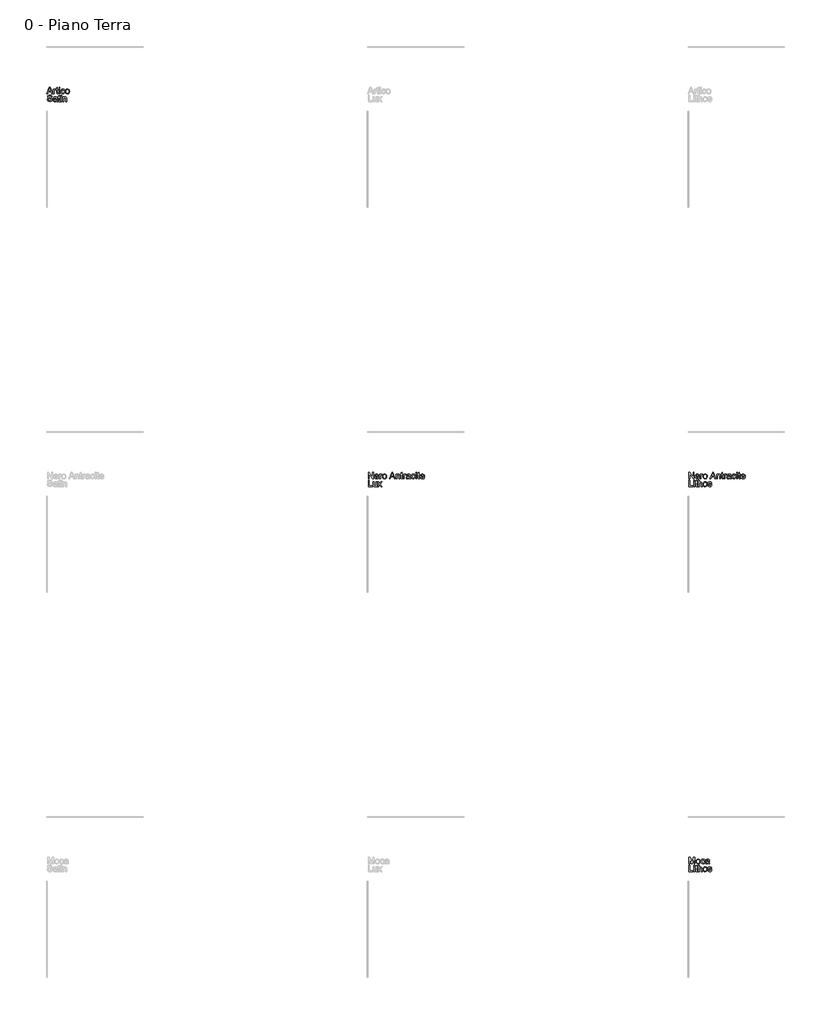
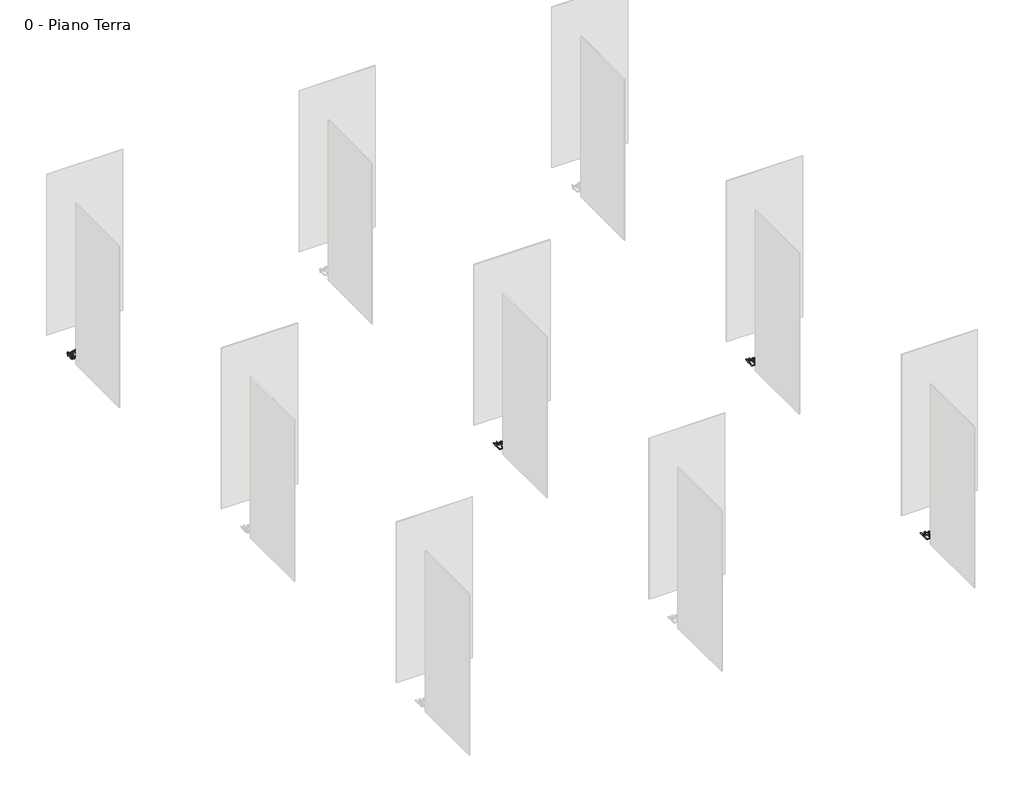
# One storey, part 26 of 35: 4 proxies.
"""IFC4 building model written with IfcOpenShell, lengths in millimetres."""

from ifc_helpers import new_model, si_unit, origin, origin_with_axes, place, context, project, spatial, polyline, outline, extrude, element, save

model = new_model("IFC4")

# Units and contexts
model_context = context("Model", 3, world=origin())
ifc_project = project(units=[si_unit("LENGTHUNIT", "METRE", prefix="MILLI")], contexts=[model_context])

# Site, building, storey
site = spatial("IfcSite", under=ifc_project)
building = spatial("IfcBuilding", under=site)
storey = spatial("IfcBuildingStorey", under=building, Name="0 - Piano Terra", Elevation=0.0)

# Proxies
placement = place(None, origin())
element("IfcBuildingElementProxy", 1, Name="Testo modello 1", ObjectType="Testo modello 1", at=placement, inside=storey, context=model_context, shape_type="SweptSolid", body=[
    extrude(outline(polyline([(2720.0306016, -18273.7592352), (2760.1297391, -18173.302925), (2770.8228424, -18173.302925), (2810.9219799, -18273.7592352), (2797.6537026, -18273.7592352), (2786.1512589, -18242.3666382), (2744.7767972, -18242.3666382), (2733.2988789, -18273.7592352), (2720.0306016, -18273.7592352)]), holes=[polyline([(2749.3875848, -18229.8095995), (2781.5649967, -18229.8095995), (2772.5150996, -18205.1124549), (2765.4762908, -18185.8599638), (2759.2222968, -18202.9542138), (2749.3875848, -18229.8095995)])]), origin_with_axes(), (0.0, 0.0, 1.0), 10.0),
    extrude(outline(polyline([(2822.7677801, -18273.7592352), (2822.7677801, -18199.9866324), (2833.7551891, -18199.9866324), (2833.7551891, -18210.9004649), (2841.5542874, -18200.8450237), (2849.4024366, -18198.4170025), (2862.0085263, -18202.2920262), (2857.8146716, -18213.5492153), (2848.9855037, -18210.9740413), (2841.8853812, -18213.4511134), (2837.3604326, -18220.318244), (2835.3248189, -18234.9844729), (2835.3248189, -18273.7592352), (2822.7677801, -18273.7592352)])), origin_with_axes(), (0.0, 0.0, 1.0), 10.0),
    extrude(outline(polyline([(2896.5403829, -18263.286861), (2898.1100128, -18274.1271171), (2888.7167592, -18275.328865), (2878.1953341, -18273.2442004), (2872.9468843, -18267.7750214), (2871.4263054, -18253.5257254), (2871.4263054, -18212.5436712), (2862.0085263, -18212.5436712), (2862.0085263, -18199.9866324), (2871.4263054, -18199.9866324), (2871.4263054, -18182.0585165), (2883.9833441, -18174.6763511), (2883.9833441, -18199.9866324), (2896.5403829, -18199.9866324), (2896.5403829, -18212.5436712), (2883.9833441, -18212.5436712), (2883.9833441, -18253.1578434), (2884.6455317, -18259.6325665), (2886.79151, -18261.9256976), (2891.0712039, -18262.7718262), (2896.5403829, -18263.286861)])), origin_with_axes(), (0.0, 0.0, 1.0), 10.0),
    extrude(outline(polyline([(2909.0974217, -18185.8599638), (2909.0974217, -18173.302925), (2921.6544605, -18173.302925), (2921.6544605, -18185.8599638), (2909.0974217, -18185.8599638)])), origin_with_axes(), (0.0, 0.0, 1.0), 10.0),
    extrude(outline(polyline([(2909.0974217, -18273.7592352), (2909.0974217, -18199.9866324), (2921.6544605, -18199.9866324), (2921.6544605, -18273.7592352), (2909.0974217, -18273.7592352)])), origin_with_axes(), (0.0, 0.0, 1.0), 10.0),
    extrude(outline(polyline([(2987.578914, -18247.0755278), (3000.1359528, -18248.6451576), (2996.6349424, -18259.8134419), (2990.0559861, -18268.253268), (2981.0183517, -18273.5599657), (2970.1413074, -18275.328865), (2956.7841253, -18272.8609899), (2946.3393423, -18265.4573648), (2939.5979048, -18253.442952), (2937.3507589, -18237.1427139), (2941.1889944, -18216.2838048), (2952.8876418, -18202.8806374), (2969.9696292, -18198.4170025), (2980.579959, -18199.9498442), (2989.0627047, -18204.5483691), (2995.148086, -18211.9673227), (2998.5663229, -18221.9614502), (2986.0092841, -18223.5310801), (2980.1844859, -18214.1255637), (2970.067731, -18210.9740413), (2961.9528673, -18212.5252771), (2955.5118667, -18217.1789843), (2951.3088149, -18225.1865491), (2949.9077977, -18236.7993574), (2951.2781581, -18248.5685155), (2955.3892394, -18256.6036714), (2961.713744, -18261.2297875), (2969.7243745, -18262.7718262), (2981.557912, -18258.921328), (2987.578914, -18247.0755278)])), origin_with_axes(), (0.0, 0.0, 1.0), 10.0),
    extrude(outline(polyline([(3007.984102, -18236.8729338), (3010.7002974, -18219.0858393), (3018.8488836, -18206.5839828), (3028.9165875, -18200.4587476), (3040.9708542, -18198.4170025), (3054.1624894, -18200.9032717), (3064.6992429, -18208.3620791), (3071.6062274, -18220.2048137), (3073.9085555, -18235.8428642), (3069.8373281, -18258.185564), (3057.9792651, -18270.8284419), (3040.9708542, -18275.328865), (3027.6198035, -18272.8517929), (3017.0953127, -18265.4205766), (3010.2619047, -18253.3295217), (3007.984102, -18236.8729338)]), holes=[polyline([(3020.5411408, -18236.8484083), (3021.9942746, -18248.2128963), (3026.3536763, -18256.3093658), (3032.9142385, -18261.1562111), (3040.9708542, -18262.7718262), (3048.9906817, -18261.1470141), (3055.5389812, -18256.2725776), (3059.8983829, -18248.0688092), (3061.3515168, -18236.4560008), (3059.8891858, -18225.4226067), (3055.502193, -18217.4365017), (3048.9446965, -18212.5896564), (3040.9708542, -18210.9740413), (3032.9142385, -18212.583525), (3026.3536763, -18217.4119762), (3021.9942746, -18225.4900517), (3020.5411408, -18236.8484083)])]), origin_with_axes(), (0.0, 0.0, 1.0), 10.0),
    extrude(outline(polyline([(2727.0203595, -18361.2021964), (2739.5773983, -18361.2021964), (2743.6241003, -18373.7714979), (2753.5078632, -18381.717749), (2768.5664995, -18384.7466441), (2781.687624, -18382.453513), (2790.1611726, -18376.1504681), (2792.9448131, -18367.7259704), (2790.8601484, -18359.8900839), (2782.3252861, -18354.187913), (2764.041551, -18349.3931843), (2744.3598642, -18343.2005041), (2733.6790237, -18333.8563014), (2730.1596192, -18321.372839), (2734.5128895, -18307.1603313), (2747.2293438, -18297.1294156), (2765.8441728, -18293.708113), (2785.7098005, -18297.2888311), (2798.9535523, -18307.8102561), (2803.932222, -18323.5310801), (2791.3751832, -18323.5310801), (2789.0697894, -18316.0385501), (2784.262798, -18310.6306848), (2766.3346821, -18306.2651518), (2748.3575153, -18310.5816338), (2742.716658, -18321.004957), (2746.714309, -18329.7114976), (2767.2175989, -18336.725781), (2789.4376714, -18343.0288258), (2801.59004, -18353.2068944), (2805.5018518, -18367.4071394), (2801.0014288, -18382.4289875), (2788.0519825, -18393.391871), (2769.0570089, -18397.3036828), (2746.6284699, -18393.0853026), (2732.4404876, -18380.3811111), (2727.0203595, -18361.2021964)])), origin_with_axes(), (0.0, 0.0, 1.0), 10.0),
    extrude(outline(polyline([(2869.8566755, -18386.3162739), (2857.6797815, -18394.8266107), (2844.2275632, -18397.3036828), (2833.7337293, -18395.8137608), (2825.992879, -18391.3439945), (2821.2196101, -18384.5565717), (2819.6285205, -18376.1136799), (2822.0320162, -18366.1808661), (2828.3473237, -18358.9703789), (2837.1397034, -18354.8501006), (2848.004485, -18352.9616397), (2869.7830991, -18348.6451576), (2869.8566755, -18345.8492545), (2866.3985848, -18336.5786282), (2852.5171708, -18332.9488592), (2839.8129793, -18335.3646176), (2833.7551891, -18343.9362681), (2821.1981503, -18342.3666382), (2826.6305411, -18330.1039051), (2837.5688991, -18322.9179434), (2854.1358516, -18320.3918204), (2869.3539035, -18322.6236378), (2877.9500794, -18328.2277069), (2881.8005776, -18336.7503064), (2882.4137143, -18347.7377154), (2882.4137143, -18363.3604374), (2883.0513764, -18385.1758397), (2885.552974, -18395.734053), (2872.9959352, -18395.734053), (2869.8566755, -18386.3162739)]), holes=[polyline([(2869.8566755, -18361.2021964), (2849.5986403, -18365.0526946), (2838.7951724, -18367.0883083), (2833.9023419, -18370.3992463), (2832.1855592, -18375.2307631), (2835.9256928, -18382.0243173), (2846.900839, -18384.7466441), (2859.6050306, -18381.7422744), (2867.7965364, -18374.4704737), (2869.7830991, -18364.758389), (2869.8566755, -18361.2021964)])]), origin_with_axes(), (0.0, 0.0, 1.0), 10.0),
    extrude(outline(polyline([(2926.36335, -18385.2616789), (2927.9329798, -18396.101935), (2918.5397262, -18397.3036828), (2908.0183012, -18395.2190182), (2902.7698514, -18389.7498392), (2901.2492725, -18375.5005433), (2901.2492725, -18334.518489), (2891.8314934, -18334.518489), (2891.8314934, -18321.9614502), (2901.2492725, -18321.9614502), (2901.2492725, -18304.0333343), (2913.8063112, -18296.651169), (2913.8063112, -18321.9614502), (2926.36335, -18321.9614502), (2926.36335, -18334.518489), (2913.8063112, -18334.518489), (2913.8063112, -18375.1326613), (2914.4684988, -18381.6073844), (2916.6144771, -18383.9005155), (2920.894171, -18384.7466441), (2926.36335, -18385.2616789)])), origin_with_axes(), (0.0, 0.0, 1.0), 10.0),
    extrude(outline(polyline([(2938.9203888, -18307.8347816), (2938.9203888, -18295.2777428), (2951.4774275, -18295.2777428), (2951.4774275, -18307.8347816), (2938.9203888, -18307.8347816)])), origin_with_axes(), (0.0, 0.0, 1.0), 10.0),
    extrude(outline(polyline([(2938.9203888, -18395.734053), (2938.9203888, -18321.9614502), (2951.4774275, -18321.9614502), (2951.4774275, -18395.734053), (2938.9203888, -18395.734053)])), origin_with_axes(), (0.0, 0.0, 1.0), 10.0),
    extrude(outline(polyline([(2970.3129857, -18395.734053), (2970.3129857, -18321.9614502), (2982.8700244, -18321.9614502), (2982.8700244, -18332.2621461), (2992.4717445, -18323.3594018), (3005.5806063, -18320.3918204), (3017.4386693, -18322.7830534), (3025.5320732, -18329.0615727), (3029.2967322, -18338.2954108), (3029.9589198, -18350.4355167), (3029.9589198, -18395.734053), (3017.4018811, -18395.734053), (3017.4018811, -18352.1277738), (3015.9548785, -18341.0177376), (3010.8413188, -18335.1438884), (3002.2206174, -18332.9488592), (2988.5967208, -18337.8784779), (2984.3016985, -18345.02152), (2982.8700244, -18356.5914087), (2982.8700244, -18395.734053), (2970.3129857, -18395.734053)])), origin_with_axes(), (0.0, 0.0, 1.0), 10.0),
])
element("IfcBuildingElementProxy", 2, Name="Testo modello 1", ObjectType="Testo modello 1", at=placement, inside=storey, context=model_context, shape_type="SweptSolid", body=[
    extrude(outline(polyline([(7731.7292491, -24273.7592352), (7731.7292491, -24173.302925), (7745.1692046, -24173.302925), (7797.6537026, -24252.8880633), (7797.6537026, -24173.302925), (7810.2107414, -24173.302925), (7810.2107414, -24273.7592352), (7796.7707858, -24273.7592352), (7744.2862878, -24194.1495714), (7744.2862878, -24273.7592352), (7731.7292491, -24273.7592352)])), origin_with_axes(), (0.0, 0.0, 1.0), 10.0),
    extrude(outline(polyline([(7882.2665615, -24251.7844173), (7894.5783456, -24253.3540472), (7890.1423019, -24262.6308048), (7883.0636392, -24269.5653804), (7873.501773, -24273.8879938), (7861.6161188, -24275.328865), (7846.8824449, -24272.8425958), (7835.5455481, -24265.3837884), (7828.3166669, -24253.4368206), (7825.9070398, -24237.4860704), (7828.3411924, -24220.9988257), (7835.64365, -24208.6686475), (7846.8272626, -24200.9799138), (7860.9048803, -24198.4170025), (7874.5441053, -24200.9737824), (7885.4426094, -24208.644122), (7892.5887171, -24220.9497747), (7894.9707531, -24237.412494), (7894.8971767, -24240.7970084), (7838.4640786, -24240.7970084), (7840.6376481, -24250.1963934), (7845.6868284, -24257.1064435), (7852.9739576, -24261.3554805), (7861.8613735, -24262.7718262), (7874.1731576, -24260.1476013), (7882.2665615, -24251.7844173)]), holes=[polyline([(7838.4640786, -24228.2399696), (7882.4137143, -24228.2399696), (7877.3859937, -24216.8601532), (7870.065142, -24212.4455693), (7860.8558294, -24210.9740413), (7845.3925229, -24215.6706681), (7840.5272835, -24221.1613069), (7838.4640786, -24228.2399696)])]), origin_with_axes(), (0.0, 0.0, 1.0), 10.0),
    extrude(outline(polyline([(7907.5277918, -24273.7592352), (7907.5277918, -24199.9866324), (7918.5152008, -24199.9866324), (7918.5152008, -24210.9004649), (7926.3142991, -24200.8450237), (7934.1624483, -24198.4170025), (7946.768538, -24202.2920262), (7942.5746832, -24213.5492153), (7933.7455154, -24210.9740413), (7926.6453929, -24213.4511134), (7922.1204443, -24220.318244), (7920.0848306, -24234.9844729), (7920.0848306, -24273.7592352), (7907.5277918, -24273.7592352)])), origin_with_axes(), (0.0, 0.0, 1.0), 10.0),
    extrude(outline(polyline([(7951.4774275, -24236.8729338), (7954.1936229, -24219.0858393), (7962.3422091, -24206.5839828), (7972.4099131, -24200.4587476), (7984.4641798, -24198.4170025), (7997.655815, -24200.9032717), (8008.1925685, -24208.3620791), (8015.0995529, -24220.2048137), (8017.4018811, -24235.8428642), (8013.3306537, -24258.185564), (8001.4725907, -24270.8284419), (7984.4641798, -24275.328865), (7971.113129, -24272.8517929), (7960.5886383, -24265.4205766), (7953.7552302, -24253.3295217), (7951.4774275, -24236.8729338)]), holes=[polyline([(7964.0344663, -24236.8484083), (7965.4876002, -24248.2128963), (7969.8470018, -24256.3093658), (7976.4075641, -24261.1562111), (7984.4641798, -24262.7718262), (7992.4840073, -24261.1470141), (7999.0323068, -24256.2725776), (8003.3917084, -24248.0688092), (8004.8448423, -24236.4560008), (8003.3825114, -24225.4226067), (7998.9955186, -24217.4365017), (7992.438022, -24212.5896564), (7984.4641798, -24210.9740413), (7976.4075641, -24212.583525), (7969.8470018, -24217.4119762), (7965.4876002, -24225.4900517), (7964.0344663, -24236.8484083)])]), origin_with_axes(), (0.0, 0.0, 1.0), 10.0),
    extrude(outline(polyline([(8060.6402782, -24273.7592352), (8100.7394157, -24173.302925), (8111.432519, -24173.302925), (8151.5316565, -24273.7592352), (8138.2633792, -24273.7592352), (8126.7609355, -24242.3666382), (8085.3864738, -24242.3666382), (8073.9085555, -24273.7592352), (8060.6402782, -24273.7592352)]), holes=[polyline([(8089.9972614, -24229.8095995), (8122.1746733, -24229.8095995), (8113.1247762, -24205.1124549), (8106.0859674, -24185.8599638), (8099.8319734, -24202.9542138), (8089.9972614, -24229.8095995)])]), origin_with_axes(), (0.0, 0.0, 1.0), 10.0),
    extrude(outline(polyline([(8163.3774567, -24273.7592352), (8163.3774567, -24199.9866324), (8175.9344955, -24199.9866324), (8175.9344955, -24210.2873283), (8185.5362156, -24201.384584), (8198.6450774, -24198.4170025), (8210.5031403, -24200.8082355), (8218.5965442, -24207.0867549), (8222.3612033, -24216.320593), (8223.0233909, -24228.4606988), (8223.0233909, -24273.7592352), (8210.4663521, -24273.7592352), (8210.4663521, -24230.152956), (8209.0193496, -24219.0429197), (8203.9057899, -24213.1690705), (8195.2850885, -24210.9740413), (8181.6611919, -24215.90366), (8177.3661696, -24223.0467021), (8175.9344955, -24234.6165909), (8175.9344955, -24273.7592352), (8163.3774567, -24273.7592352)])), origin_with_axes(), (0.0, 0.0, 1.0), 10.0),
    extrude(outline(polyline([(8266.9730266, -24263.286861), (8268.5426564, -24274.1271171), (8259.1494028, -24275.328865), (8248.6279778, -24273.2442004), (8243.379528, -24267.7750214), (8241.8589491, -24253.5257254), (8241.8589491, -24212.5436712), (8232.44117, -24212.5436712), (8232.44117, -24199.9866324), (8241.8589491, -24199.9866324), (8241.8589491, -24182.0585165), (8254.4159878, -24174.6763511), (8254.4159878, -24199.9866324), (8266.9730266, -24199.9866324), (8266.9730266, -24212.5436712), (8254.4159878, -24212.5436712), (8254.4159878, -24253.1578434), (8255.0781754, -24259.6325665), (8257.2241537, -24261.9256976), (8261.5038476, -24262.7718262), (8266.9730266, -24263.286861)])), origin_with_axes(), (0.0, 0.0, 1.0), 10.0),
    extrude(outline(polyline([(8279.5300654, -24273.7592352), (8279.5300654, -24199.9866324), (8290.5174743, -24199.9866324), (8290.5174743, -24210.9004649), (8298.3165726, -24200.8450237), (8306.1647218, -24198.4170025), (8318.7708115, -24202.2920262), (8314.5769568, -24213.5492153), (8305.7477889, -24210.9740413), (8298.6476664, -24213.4511134), (8294.1227178, -24220.318244), (8292.0871041, -24234.9844729), (8292.0871041, -24273.7592352), (8279.5300654, -24273.7592352)])), origin_with_axes(), (0.0, 0.0, 1.0), 10.0),
    extrude(outline(polyline([(8373.7078561, -24264.3414561), (8361.5309621, -24272.8517929), (8348.0787438, -24275.328865), (8337.5849099, -24273.8389429), (8329.8440596, -24269.3691767), (8325.0707907, -24262.5817539), (8323.4797011, -24254.1388621), (8325.8831968, -24244.2060482), (8332.1985043, -24236.9955611), (8340.990884, -24232.8752828), (8351.8556656, -24230.9868218), (8373.6342797, -24226.6703398), (8373.7078561, -24223.8744366), (8370.2497654, -24214.6038103), (8356.3683514, -24210.9740413), (8343.6641599, -24213.3897997), (8337.6063697, -24221.9614502), (8325.0493309, -24220.3918204), (8330.4817217, -24208.1290872), (8341.4200797, -24200.9431256), (8357.9870322, -24198.4170025), (8373.2050841, -24200.64882), (8381.80126, -24206.252889), (8385.6517582, -24214.7754886), (8386.2648949, -24225.7628975), (8386.2648949, -24241.3856196), (8386.902557, -24263.2010219), (8389.4041546, -24273.7592352), (8376.8471158, -24273.7592352), (8373.7078561, -24264.3414561)]), holes=[polyline([(8373.7078561, -24239.2273785), (8353.4498209, -24243.0778768), (8342.646353, -24245.1134905), (8337.7535225, -24248.4244284), (8336.0367398, -24253.2559453), (8339.7768734, -24260.0494995), (8350.7520196, -24262.7718262), (8363.4562112, -24259.7674566), (8371.647717, -24252.4956558), (8373.6342797, -24242.7835712), (8373.7078561, -24239.2273785)])]), origin_with_axes(), (0.0, 0.0, 1.0), 10.0),
    extrude(outline(polyline([(8450.6197186, -24247.0755278), (8463.1767574, -24248.6451576), (8459.675747, -24259.8134419), (8453.0967907, -24268.253268), (8444.0591563, -24273.5599657), (8433.182112, -24275.328865), (8419.8249299, -24272.8609899), (8409.3801469, -24265.4573648), (8402.6387094, -24253.442952), (8400.3915635, -24237.1427139), (8404.229799, -24216.2838048), (8415.9284464, -24202.8806374), (8433.0104337, -24198.4170025), (8443.6207636, -24199.9498442), (8452.1035093, -24204.5483691), (8458.1888906, -24211.9673227), (8461.6071275, -24221.9614502), (8449.0500887, -24223.5310801), (8443.2252905, -24214.1255637), (8433.1085356, -24210.9740413), (8424.9936719, -24212.5252771), (8418.5526713, -24217.1789843), (8414.3496195, -24225.1865491), (8412.9486023, -24236.7993574), (8414.3189627, -24248.5685155), (8418.430044, -24256.6036714), (8424.7545486, -24261.2297875), (8432.7651791, -24262.7718262), (8444.5987166, -24258.921328), (8450.6197186, -24247.0755278)])), origin_with_axes(), (0.0, 0.0, 1.0), 10.0),
    extrude(outline(polyline([(8474.1641663, -24273.7592352), (8474.1641663, -24199.9866324), (8486.721205, -24199.9866324), (8486.721205, -24273.7592352), (8474.1641663, -24273.7592352)])), origin_with_axes(), (0.0, 0.0, 1.0), 10.0),
    extrude(outline(polyline([(8474.1641663, -24185.8599638), (8474.1641663, -24173.302925), (8486.721205, -24173.302925), (8486.721205, -24185.8599638), (8474.1641663, -24185.8599638)])), origin_with_axes(), (0.0, 0.0, 1.0), 10.0),
    extrude(outline(polyline([(8532.2404706, -24263.286861), (8533.8101004, -24274.1271171), (8524.4168468, -24275.328865), (8513.8954218, -24273.2442004), (8508.646972, -24267.7750214), (8507.126393, -24253.5257254), (8507.126393, -24212.5436712), (8497.708614, -24212.5436712), (8497.708614, -24199.9866324), (8507.126393, -24199.9866324), (8507.126393, -24182.0585165), (8519.6834318, -24174.6763511), (8519.6834318, -24199.9866324), (8532.2404706, -24199.9866324), (8532.2404706, -24212.5436712), (8519.6834318, -24212.5436712), (8519.6834318, -24253.1578434), (8520.3456194, -24259.6325665), (8522.4915977, -24261.9256976), (8526.7712916, -24262.7718262), (8532.2404706, -24263.286861)])), origin_with_axes(), (0.0, 0.0, 1.0), 10.0),
    extrude(outline(polyline([(8596.4481415, -24251.7844173), (8608.7599256, -24253.3540472), (8604.3238819, -24262.6308048), (8597.2452191, -24269.5653804), (8587.6833529, -24273.8879938), (8575.7976988, -24275.328865), (8561.0640249, -24272.8425958), (8549.7271281, -24265.3837884), (8542.4982469, -24253.4368206), (8540.0886198, -24237.4860704), (8542.5227723, -24220.9988257), (8549.8252299, -24208.6686475), (8561.0088426, -24200.9799138), (8575.0864603, -24198.4170025), (8588.7256853, -24200.9737824), (8599.6241894, -24208.644122), (8606.7702971, -24220.9497747), (8609.152333, -24237.412494), (8609.0787566, -24240.7970084), (8552.6456586, -24240.7970084), (8554.819228, -24250.1963934), (8559.8684084, -24257.1064435), (8567.1555376, -24261.3554805), (8576.0429535, -24262.7718262), (8588.3547376, -24260.1476013), (8596.4481415, -24251.7844173)]), holes=[polyline([(8552.6456586, -24228.2399696), (8596.5952943, -24228.2399696), (8591.5675737, -24216.8601532), (8584.246722, -24212.4455693), (8575.0374094, -24210.9740413), (8559.5741028, -24215.6706681), (8554.7088634, -24221.1613069), (8552.6456586, -24228.2399696)])]), origin_with_axes(), (0.0, 0.0, 1.0), 10.0),
    extrude(outline(polyline([(7731.7292491, -24395.734053), (7731.7292491, -24295.2777428), (7744.2862878, -24295.2777428), (7744.2862878, -24383.1770142), (7794.5144429, -24383.1770142), (7794.5144429, -24395.734053), (7731.7292491, -24395.734053)])), origin_with_axes(), (0.0, 0.0, 1.0), 10.0),
    extrude(outline(polyline([(7854.1603771, -24395.734053), (7854.1603771, -24383.0543869), (7844.3256651, -24393.7413589), (7831.4988462, -24397.3036828), (7819.6898341, -24394.8020853), (7811.5473793, -24388.5235659), (7807.8072457, -24379.2774651), (7807.0714817, -24367.6033431), (7807.0714817, -24321.9614502), (7819.6285205, -24321.9614502), (7819.6285205, -24361.6927057), (7820.3888099, -24374.4949991), (7825.3552168, -24382.0120546), (7834.7116823, -24384.7466441), (7845.1963191, -24381.9507409), (7852.1247634, -24374.3355836), (7854.1603771, -24360.3438051), (7854.1603771, -24321.9614502), (7866.7174158, -24321.9614502), (7866.7174158, -24395.734053), (7854.1603771, -24395.734053)])), origin_with_axes(), (0.0, 0.0, 1.0), 10.0),
    extrude(outline(polyline([(7876.1351949, -24395.734053), (7902.9660551, -24358.6515479), (7877.7048248, -24321.9614502), (7892.812512, -24321.9614502), (7905.0016688, -24339.619786), (7910.691577, -24347.9584446), (7915.6211957, -24341.1403649), (7929.5026097, -24321.9614502), (7944.610297, -24321.9614502), (7918.0737424, -24358.6515479), (7943.6292783, -24395.734053), (7928.521591, -24395.734053), (7913.1441236, -24373.4404041), (7910.323695, -24369.3691767), (7891.2428822, -24395.734053), (7876.1351949, -24395.734053)])), origin_with_axes(), (0.0, 0.0, 1.0), 10.0),
])
element("IfcBuildingElementProxy", 3, Name="Testo modello 1", ObjectType="Testo modello 1", at=placement, inside=storey, context=model_context, shape_type="SweptSolid", body=[
    extrude(outline(polyline([(12731.7292491, -24273.7592352), (12731.7292491, -24173.302925), (12745.1692046, -24173.302925), (12797.6537026, -24252.8880633), (12797.6537026, -24173.302925), (12810.2107414, -24173.302925), (12810.2107414, -24273.7592352), (12796.7707858, -24273.7592352), (12744.2862878, -24194.1495714), (12744.2862878, -24273.7592352), (12731.7292491, -24273.7592352)])), origin_with_axes(), (0.0, 0.0, 1.0), 10.0),
    extrude(outline(polyline([(12882.2665615, -24251.7844173), (12894.5783456, -24253.3540472), (12890.1423019, -24262.6308048), (12883.0636392, -24269.5653804), (12873.501773, -24273.8879938), (12861.6161188, -24275.328865), (12846.8824449, -24272.8425958), (12835.5455481, -24265.3837884), (12828.3166669, -24253.4368206), (12825.9070398, -24237.4860704), (12828.3411924, -24220.9988257), (12835.64365, -24208.6686475), (12846.8272626, -24200.9799138), (12860.9048803, -24198.4170025), (12874.5441053, -24200.9737824), (12885.4426094, -24208.644122), (12892.5887171, -24220.9497747), (12894.9707531, -24237.412494), (12894.8971767, -24240.7970084), (12838.4640786, -24240.7970084), (12840.6376481, -24250.1963934), (12845.6868284, -24257.1064435), (12852.9739576, -24261.3554805), (12861.8613735, -24262.7718262), (12874.1731576, -24260.1476013), (12882.2665615, -24251.7844173)]), holes=[polyline([(12838.4640786, -24228.2399696), (12882.4137143, -24228.2399696), (12877.3859937, -24216.8601532), (12870.065142, -24212.4455693), (12860.8558294, -24210.9740413), (12845.3925229, -24215.6706681), (12840.5272835, -24221.1613069), (12838.4640786, -24228.2399696)])]), origin_with_axes(), (0.0, 0.0, 1.0), 10.0),
    extrude(outline(polyline([(12907.5277918, -24273.7592352), (12907.5277918, -24199.9866324), (12918.5152008, -24199.9866324), (12918.5152008, -24210.9004649), (12926.3142991, -24200.8450237), (12934.1624483, -24198.4170025), (12946.768538, -24202.2920262), (12942.5746832, -24213.5492153), (12933.7455154, -24210.9740413), (12926.6453929, -24213.4511134), (12922.1204443, -24220.318244), (12920.0848306, -24234.9844729), (12920.0848306, -24273.7592352), (12907.5277918, -24273.7592352)])), origin_with_axes(), (0.0, 0.0, 1.0), 10.0),
    extrude(outline(polyline([(12951.4774275, -24236.8729338), (12954.1936229, -24219.0858393), (12962.3422091, -24206.5839828), (12972.4099131, -24200.4587476), (12984.4641798, -24198.4170025), (12997.655815, -24200.9032717), (13008.1925685, -24208.3620791), (13015.0995529, -24220.2048137), (13017.4018811, -24235.8428642), (13013.3306537, -24258.185564), (13001.4725907, -24270.8284419), (12984.4641798, -24275.328865), (12971.113129, -24272.8517929), (12960.5886383, -24265.4205766), (12953.7552302, -24253.3295217), (12951.4774275, -24236.8729338)]), holes=[polyline([(12964.0344663, -24236.8484083), (12965.4876002, -24248.2128963), (12969.8470018, -24256.3093658), (12976.4075641, -24261.1562111), (12984.4641798, -24262.7718262), (12992.4840073, -24261.1470141), (12999.0323068, -24256.2725776), (13003.3917084, -24248.0688092), (13004.8448423, -24236.4560008), (13003.3825114, -24225.4226067), (12998.9955186, -24217.4365017), (12992.438022, -24212.5896564), (12984.4641798, -24210.9740413), (12976.4075641, -24212.583525), (12969.8470018, -24217.4119762), (12965.4876002, -24225.4900517), (12964.0344663, -24236.8484083)])]), origin_with_axes(), (0.0, 0.0, 1.0), 10.0),
    extrude(outline(polyline([(13060.6402782, -24273.7592352), (13100.7394157, -24173.302925), (13111.432519, -24173.302925), (13151.5316565, -24273.7592352), (13138.2633792, -24273.7592352), (13126.7609355, -24242.3666382), (13085.3864738, -24242.3666382), (13073.9085555, -24273.7592352), (13060.6402782, -24273.7592352)]), holes=[polyline([(13089.9972614, -24229.8095995), (13122.1746733, -24229.8095995), (13113.1247762, -24205.1124549), (13106.0859674, -24185.8599638), (13099.8319734, -24202.9542138), (13089.9972614, -24229.8095995)])]), origin_with_axes(), (0.0, 0.0, 1.0), 10.0),
    extrude(outline(polyline([(13163.3774567, -24273.7592352), (13163.3774567, -24199.9866324), (13175.9344955, -24199.9866324), (13175.9344955, -24210.2873283), (13185.5362156, -24201.384584), (13198.6450774, -24198.4170025), (13210.5031403, -24200.8082355), (13218.5965442, -24207.0867549), (13222.3612033, -24216.320593), (13223.0233909, -24228.4606988), (13223.0233909, -24273.7592352), (13210.4663521, -24273.7592352), (13210.4663521, -24230.152956), (13209.0193496, -24219.0429197), (13203.9057899, -24213.1690705), (13195.2850885, -24210.9740413), (13181.6611919, -24215.90366), (13177.3661696, -24223.0467021), (13175.9344955, -24234.6165909), (13175.9344955, -24273.7592352), (13163.3774567, -24273.7592352)])), origin_with_axes(), (0.0, 0.0, 1.0), 10.0),
    extrude(outline(polyline([(13266.9730266, -24263.286861), (13268.5426564, -24274.1271171), (13259.1494028, -24275.328865), (13248.6279778, -24273.2442004), (13243.379528, -24267.7750214), (13241.8589491, -24253.5257254), (13241.8589491, -24212.5436712), (13232.44117, -24212.5436712), (13232.44117, -24199.9866324), (13241.8589491, -24199.9866324), (13241.8589491, -24182.0585165), (13254.4159878, -24174.6763511), (13254.4159878, -24199.9866324), (13266.9730266, -24199.9866324), (13266.9730266, -24212.5436712), (13254.4159878, -24212.5436712), (13254.4159878, -24253.1578434), (13255.0781754, -24259.6325665), (13257.2241537, -24261.9256976), (13261.5038476, -24262.7718262), (13266.9730266, -24263.286861)])), origin_with_axes(), (0.0, 0.0, 1.0), 10.0),
    extrude(outline(polyline([(13279.5300654, -24273.7592352), (13279.5300654, -24199.9866324), (13290.5174743, -24199.9866324), (13290.5174743, -24210.9004649), (13298.3165726, -24200.8450237), (13306.1647218, -24198.4170025), (13318.7708115, -24202.2920262), (13314.5769568, -24213.5492153), (13305.7477889, -24210.9740413), (13298.6476664, -24213.4511134), (13294.1227178, -24220.318244), (13292.0871041, -24234.9844729), (13292.0871041, -24273.7592352), (13279.5300654, -24273.7592352)])), origin_with_axes(), (0.0, 0.0, 1.0), 10.0),
    extrude(outline(polyline([(13373.7078561, -24264.3414561), (13361.5309621, -24272.8517929), (13348.0787438, -24275.328865), (13337.5849099, -24273.8389429), (13329.8440596, -24269.3691767), (13325.0707907, -24262.5817539), (13323.4797011, -24254.1388621), (13325.8831968, -24244.2060482), (13332.1985043, -24236.9955611), (13340.990884, -24232.8752828), (13351.8556656, -24230.9868218), (13373.6342797, -24226.6703398), (13373.7078561, -24223.8744366), (13370.2497654, -24214.6038103), (13356.3683514, -24210.9740413), (13343.6641599, -24213.3897997), (13337.6063697, -24221.9614502), (13325.0493309, -24220.3918204), (13330.4817217, -24208.1290872), (13341.4200797, -24200.9431256), (13357.9870322, -24198.4170025), (13373.2050841, -24200.64882), (13381.80126, -24206.252889), (13385.6517582, -24214.7754886), (13386.2648949, -24225.7628975), (13386.2648949, -24241.3856196), (13386.902557, -24263.2010219), (13389.4041546, -24273.7592352), (13376.8471158, -24273.7592352), (13373.7078561, -24264.3414561)]), holes=[polyline([(13373.7078561, -24239.2273785), (13353.4498209, -24243.0778768), (13342.646353, -24245.1134905), (13337.7535225, -24248.4244284), (13336.0367398, -24253.2559453), (13339.7768734, -24260.0494995), (13350.7520196, -24262.7718262), (13363.4562112, -24259.7674566), (13371.647717, -24252.4956558), (13373.6342797, -24242.7835712), (13373.7078561, -24239.2273785)])]), origin_with_axes(), (0.0, 0.0, 1.0), 10.0),
    extrude(outline(polyline([(13450.6197186, -24247.0755278), (13463.1767574, -24248.6451576), (13459.675747, -24259.8134419), (13453.0967907, -24268.253268), (13444.0591563, -24273.5599657), (13433.182112, -24275.328865), (13419.8249299, -24272.8609899), (13409.3801469, -24265.4573648), (13402.6387094, -24253.442952), (13400.3915635, -24237.1427139), (13404.229799, -24216.2838048), (13415.9284464, -24202.8806374), (13433.0104337, -24198.4170025), (13443.6207636, -24199.9498442), (13452.1035093, -24204.5483691), (13458.1888906, -24211.9673227), (13461.6071275, -24221.9614502), (13449.0500887, -24223.5310801), (13443.2252905, -24214.1255637), (13433.1085356, -24210.9740413), (13424.9936719, -24212.5252771), (13418.5526713, -24217.1789843), (13414.3496195, -24225.1865491), (13412.9486023, -24236.7993574), (13414.3189627, -24248.5685155), (13418.430044, -24256.6036714), (13424.7545486, -24261.2297875), (13432.7651791, -24262.7718262), (13444.5987166, -24258.921328), (13450.6197186, -24247.0755278)])), origin_with_axes(), (0.0, 0.0, 1.0), 10.0),
    extrude(outline(polyline([(13474.1641663, -24273.7592352), (13474.1641663, -24199.9866324), (13486.721205, -24199.9866324), (13486.721205, -24273.7592352), (13474.1641663, -24273.7592352)])), origin_with_axes(), (0.0, 0.0, 1.0), 10.0),
    extrude(outline(polyline([(13474.1641663, -24185.8599638), (13474.1641663, -24173.302925), (13486.721205, -24173.302925), (13486.721205, -24185.8599638), (13474.1641663, -24185.8599638)])), origin_with_axes(), (0.0, 0.0, 1.0), 10.0),
    extrude(outline(polyline([(13532.2404706, -24263.286861), (13533.8101004, -24274.1271171), (13524.4168468, -24275.328865), (13513.8954218, -24273.2442004), (13508.646972, -24267.7750214), (13507.126393, -24253.5257254), (13507.126393, -24212.5436712), (13497.708614, -24212.5436712), (13497.708614, -24199.9866324), (13507.126393, -24199.9866324), (13507.126393, -24182.0585165), (13519.6834318, -24174.6763511), (13519.6834318, -24199.9866324), (13532.2404706, -24199.9866324), (13532.2404706, -24212.5436712), (13519.6834318, -24212.5436712), (13519.6834318, -24253.1578434), (13520.3456194, -24259.6325665), (13522.4915977, -24261.9256976), (13526.7712916, -24262.7718262), (13532.2404706, -24263.286861)])), origin_with_axes(), (0.0, 0.0, 1.0), 10.0),
    extrude(outline(polyline([(13596.4481415, -24251.7844173), (13608.7599256, -24253.3540472), (13604.3238819, -24262.6308048), (13597.2452191, -24269.5653804), (13587.6833529, -24273.8879938), (13575.7976988, -24275.328865), (13561.0640249, -24272.8425958), (13549.7271281, -24265.3837884), (13542.4982469, -24253.4368206), (13540.0886198, -24237.4860704), (13542.5227723, -24220.9988257), (13549.8252299, -24208.6686475), (13561.0088426, -24200.9799138), (13575.0864603, -24198.4170025), (13588.7256853, -24200.9737824), (13599.6241894, -24208.644122), (13606.7702971, -24220.9497747), (13609.152333, -24237.412494), (13609.0787566, -24240.7970084), (13552.6456586, -24240.7970084), (13554.819228, -24250.1963934), (13559.8684084, -24257.1064435), (13567.1555376, -24261.3554805), (13576.0429535, -24262.7718262), (13588.3547376, -24260.1476013), (13596.4481415, -24251.7844173)]), holes=[polyline([(13552.6456586, -24228.2399696), (13596.5952943, -24228.2399696), (13591.5675737, -24216.8601532), (13584.246722, -24212.4455693), (13575.0374094, -24210.9740413), (13559.5741028, -24215.6706681), (13554.7088634, -24221.1613069), (13552.6456586, -24228.2399696)])]), origin_with_axes(), (0.0, 0.0, 1.0), 10.0),
    extrude(outline(polyline([(12731.7292491, -24395.734053), (12731.7292491, -24295.2777428), (12744.2862878, -24295.2777428), (12744.2862878, -24383.1770142), (12794.5144429, -24383.1770142), (12794.5144429, -24395.734053), (12731.7292491, -24395.734053)])), origin_with_axes(), (0.0, 0.0, 1.0), 10.0),
    extrude(outline(polyline([(12807.0714817, -24395.734053), (12807.0714817, -24321.9614502), (12819.6285205, -24321.9614502), (12819.6285205, -24395.734053), (12807.0714817, -24395.734053)])), origin_with_axes(), (0.0, 0.0, 1.0), 10.0),
    extrude(outline(polyline([(12807.0714817, -24307.8347816), (12807.0714817, -24295.2777428), (12819.6285205, -24295.2777428), (12819.6285205, -24307.8347816), (12807.0714817, -24307.8347816)])), origin_with_axes(), (0.0, 0.0, 1.0), 10.0),
    extrude(outline(polyline([(12865.147786, -24385.2616789), (12866.7174158, -24396.101935), (12857.3241622, -24397.3036828), (12846.8027372, -24395.2190182), (12841.5542874, -24389.7498392), (12840.0337085, -24375.5005433), (12840.0337085, -24334.518489), (12830.6159294, -24334.518489), (12830.6159294, -24321.9614502), (12840.0337085, -24321.9614502), (12840.0337085, -24304.0333343), (12852.5907472, -24296.651169), (12852.5907472, -24321.9614502), (12865.147786, -24321.9614502), (12865.147786, -24334.518489), (12852.5907472, -24334.518489), (12852.5907472, -24375.1326613), (12853.2529348, -24381.6073844), (12855.3989131, -24383.9005155), (12859.678607, -24384.7466441), (12865.147786, -24385.2616789)])), origin_with_axes(), (0.0, 0.0, 1.0), 10.0),
    extrude(outline(polyline([(12877.7048248, -24395.734053), (12877.7048248, -24295.2777428), (12890.2618635, -24295.2777428), (12890.2618635, -24332.2130952), (12900.053656, -24323.3471391), (12912.114054, -24320.3918204), (12926.2161972, -24323.6169192), (12934.7755849, -24332.5319262), (12937.3507589, -24349.0375651), (12937.3507589, -24395.734053), (12924.7937201, -24395.734053), (12924.7937201, -24350.3374148), (12920.7960691, -24337.093663), (12909.4653037, -24332.9488592), (12899.1768705, -24335.7447623), (12892.30974, -24343.3231314), (12890.2618635, -24356.5423578), (12890.2618635, -24395.734053), (12877.7048248, -24395.734053)])), origin_with_axes(), (0.0, 0.0, 1.0), 10.0),
    extrude(outline(polyline([(12951.4774275, -24358.8477516), (12954.1936229, -24341.0606571), (12962.3422091, -24328.5588007), (12972.4099131, -24322.4335655), (12984.4641798, -24320.3918204), (12997.655815, -24322.8780895), (13008.1925685, -24330.336897), (13015.0995529, -24342.1796315), (13017.4018811, -24357.817682), (13013.3306537, -24380.1603819), (13001.4725907, -24392.8032598), (12984.4641798, -24397.3036828), (12971.113129, -24394.8266107), (12960.5886383, -24387.3953944), (12953.7552302, -24375.3043395), (12951.4774275, -24358.8477516)]), holes=[polyline([(12964.0344663, -24358.8232261), (12965.4876002, -24370.1877141), (12969.8470018, -24378.2841837), (12976.4075641, -24383.131029), (12984.4641798, -24384.7466441), (12992.4840073, -24383.1218319), (12999.0323068, -24378.2473955), (13003.3917084, -24370.043627), (13004.8448423, -24358.4308187), (13003.3825114, -24347.3974245), (12998.9955186, -24339.4113195), (12992.438022, -24334.5644742), (12984.4641798, -24332.9488592), (12976.4075641, -24334.5583429), (12969.8470018, -24339.3867941), (12965.4876002, -24347.4648695), (12964.0344663, -24358.8232261)])]), origin_with_axes(), (0.0, 0.0, 1.0), 10.0),
    extrude(outline(polyline([(13026.8196601, -24373.7592352), (13039.3766989, -24372.1896053), (13045.1892344, -24381.5092825), (13058.5065627, -24384.7466441), (13071.3088561, -24381.7790626), (13075.4781854, -24374.8138302), (13071.2843306, -24369.1729729), (13058.3594099, -24365.5922549), (13039.4502753, -24359.4486255), (13031.1974559, -24352.2749266), (13028.38929, -24342.145909), (13030.6456329, -24332.7894436), (13036.8015249, -24325.6402702), (13044.7845642, -24321.924662), (13055.5880322, -24320.3918204), (13070.8673977, -24322.8566298), (13080.5794824, -24329.5275566), (13084.8959644, -24340.7970084), (13072.3389257, -24342.3666382), (13067.6177734, -24335.438194), (13056.5690508, -24332.9488592), (13044.5515723, -24335.3278294), (13040.9463288, -24340.8705848), (13042.4423822, -24344.5248793), (13047.1267463, -24347.296257), (13057.9424769, -24349.9695328), (13076.3733649, -24355.8801702), (13084.9327526, -24362.5756225), (13088.0352241, -24373.489455), (13084.3931924, -24385.5069335), (13073.8840301, -24394.2257368), (13058.3348844, -24397.3036828), (13045.6736124, -24395.8198921), (13036.4336429, -24391.36852), (13030.2654882, -24383.9986174), (13026.8196601, -24373.7592352)])), origin_with_axes(), (0.0, 0.0, 1.0), 10.0),
])
element("IfcBuildingElementProxy", 4, Name="Testo modello 1", ObjectType="Testo modello 1", at=placement, inside=storey, context=model_context, shape_type="SweptSolid", body=[
    extrude(outline(polyline([(12731.7292491, -30273.7592352), (12731.7292491, -30173.302925), (12753.3361849, -30173.302925), (12773.8885257, -30244.1079463), (12778.0333295, -30258.8968025), (12782.5214899, -30242.881673), (12802.7304741, -30173.302925), (12824.33741, -30173.302925), (12824.33741, -30273.7592352), (12811.7803712, -30273.7592352), (12811.7803712, -30185.8599638), (12786.5436664, -30273.7592352), (12769.5229927, -30273.7592352), (12744.2862878, -30185.8599638), (12744.2862878, -30273.7592352), (12731.7292491, -30273.7592352)])), origin_with_axes(), (0.0, 0.0, 1.0), 10.0),
    extrude(outline(polyline([(12841.6033383, -30236.8729338), (12844.3195337, -30219.0858393), (12852.4681199, -30206.5839828), (12862.5358238, -30200.4587476), (12874.5900905, -30198.4170025), (12887.7817257, -30200.9032717), (12898.3184792, -30208.3620791), (12905.2254637, -30220.2048137), (12907.5277918, -30235.8428642), (12903.4565644, -30258.185564), (12891.5985014, -30270.8284419), (12874.5900905, -30275.328865), (12861.2390398, -30272.8517929), (12850.714549, -30265.4205766), (12843.881141, -30253.3295217), (12841.6033383, -30236.8729338)]), holes=[polyline([(12854.1603771, -30236.8484083), (12855.613511, -30248.2128963), (12859.9729126, -30256.3093658), (12866.5334748, -30261.1562111), (12874.5900905, -30262.7718262), (12882.609918, -30261.1470141), (12889.1582175, -30256.2725776), (12893.5176192, -30248.0688092), (12894.9707531, -30236.4560008), (12893.5084221, -30225.4226067), (12889.1214293, -30217.4365017), (12882.5639328, -30212.5896564), (12874.5900905, -30210.9740413), (12866.5334748, -30212.583525), (12859.9729126, -30217.4119762), (12855.613511, -30225.4900517), (12854.1603771, -30236.8484083)])]), origin_with_axes(), (0.0, 0.0, 1.0), 10.0),
    extrude(outline(polyline([(12968.7433558, -30247.0755278), (12981.3003946, -30248.6451576), (12977.7993843, -30259.8134419), (12971.2204279, -30268.253268), (12962.1827936, -30273.5599657), (12951.3057493, -30275.328865), (12937.9485672, -30272.8609899), (12927.5037842, -30265.4573648), (12920.7623466, -30253.442952), (12918.5152008, -30237.1427139), (12922.3534362, -30216.2838048), (12934.0520837, -30202.8806374), (12951.134071, -30198.4170025), (12961.7444009, -30199.9498442), (12970.2271465, -30204.5483691), (12976.3125279, -30211.9673227), (12979.7307648, -30221.9614502), (12967.173726, -30223.5310801), (12961.3489277, -30214.1255637), (12951.2321729, -30210.9740413), (12943.1173092, -30212.5252771), (12936.6763086, -30217.1789843), (12932.4732568, -30225.1865491), (12931.0722395, -30236.7993574), (12932.4426, -30248.5685155), (12936.5536813, -30256.6036714), (12942.8781859, -30261.2297875), (12950.8888163, -30262.7718262), (12962.7223538, -30258.921328), (12968.7433558, -30247.0755278)])), origin_with_axes(), (0.0, 0.0, 1.0), 10.0),
    extrude(outline(polyline([(13039.3766989, -30264.3414561), (13027.1998049, -30272.8517929), (13013.7475866, -30275.328865), (13003.2537527, -30273.8389429), (12995.5129024, -30269.3691767), (12990.7396335, -30262.5817539), (12989.1485438, -30254.1388621), (12991.5520395, -30244.2060482), (12997.8673471, -30236.9955611), (13006.6597268, -30232.8752828), (13017.5245084, -30230.9868218), (13039.3031225, -30226.6703398), (13039.3766989, -30223.8744366), (13035.9186082, -30214.6038103), (13022.0371942, -30210.9740413), (13009.3330026, -30213.3897997), (13003.2752124, -30221.9614502), (12990.7181737, -30220.3918204), (12996.1505645, -30208.1290872), (13007.0889225, -30200.9431256), (13023.655875, -30198.4170025), (13038.8739268, -30200.64882), (13047.4701028, -30206.252889), (13051.320601, -30214.7754886), (13051.9337377, -30225.7628975), (13051.9337377, -30241.3856196), (13052.5713998, -30263.2010219), (13055.0729974, -30273.7592352), (13042.5159586, -30273.7592352), (13039.3766989, -30264.3414561)]), holes=[polyline([(13039.3766989, -30239.2273785), (13019.1186637, -30243.0778768), (13008.3151958, -30245.1134905), (13003.4223652, -30248.4244284), (13001.7055826, -30253.2559453), (13005.4457162, -30260.0494995), (13016.4208624, -30262.7718262), (13029.125054, -30259.7674566), (13037.3165597, -30252.4956558), (13039.3031225, -30242.7835712), (13039.3766989, -30239.2273785)])]), origin_with_axes(), (0.0, 0.0, 1.0), 10.0),
    extrude(outline(polyline([(12731.7292491, -30395.734053), (12731.7292491, -30295.2777428), (12744.2862878, -30295.2777428), (12744.2862878, -30383.1770142), (12794.5144429, -30383.1770142), (12794.5144429, -30395.734053), (12731.7292491, -30395.734053)])), origin_with_axes(), (0.0, 0.0, 1.0), 10.0),
    extrude(outline(polyline([(12807.0714817, -30307.8347816), (12807.0714817, -30295.2777428), (12819.6285205, -30295.2777428), (12819.6285205, -30307.8347816), (12807.0714817, -30307.8347816)])), origin_with_axes(), (0.0, 0.0, 1.0), 10.0),
    extrude(outline(polyline([(12807.0714817, -30395.734053), (12807.0714817, -30321.9614502), (12819.6285205, -30321.9614502), (12819.6285205, -30395.734053), (12807.0714817, -30395.734053)])), origin_with_axes(), (0.0, 0.0, 1.0), 10.0),
    extrude(outline(polyline([(12865.147786, -30385.2616789), (12866.7174158, -30396.101935), (12857.3241622, -30397.3036828), (12846.8027372, -30395.2190182), (12841.5542874, -30389.7498392), (12840.0337085, -30375.5005433), (12840.0337085, -30334.518489), (12830.6159294, -30334.518489), (12830.6159294, -30321.9614502), (12840.0337085, -30321.9614502), (12840.0337085, -30304.0333343), (12852.5907472, -30296.651169), (12852.5907472, -30321.9614502), (12865.147786, -30321.9614502), (12865.147786, -30334.518489), (12852.5907472, -30334.518489), (12852.5907472, -30375.1326613), (12853.2529348, -30381.6073844), (12855.3989131, -30383.9005155), (12859.678607, -30384.7466441), (12865.147786, -30385.2616789)])), origin_with_axes(), (0.0, 0.0, 1.0), 10.0),
    extrude(outline(polyline([(12877.7048248, -30395.734053), (12877.7048248, -30295.2777428), (12890.2618635, -30295.2777428), (12890.2618635, -30332.2130952), (12900.053656, -30323.3471391), (12912.114054, -30320.3918204), (12926.2161972, -30323.6169192), (12934.7755849, -30332.5319262), (12937.3507589, -30349.0375651), (12937.3507589, -30395.734053), (12924.7937201, -30395.734053), (12924.7937201, -30350.3374148), (12920.7960691, -30337.093663), (12909.4653037, -30332.9488592), (12899.1768705, -30335.7447623), (12892.30974, -30343.3231314), (12890.2618635, -30356.5423578), (12890.2618635, -30395.734053), (12877.7048248, -30395.734053)])), origin_with_axes(), (0.0, 0.0, 1.0), 10.0),
    extrude(outline(polyline([(12951.4774275, -30358.8477516), (12954.1936229, -30341.0606571), (12962.3422091, -30328.5588007), (12972.4099131, -30322.4335655), (12984.4641798, -30320.3918204), (12997.655815, -30322.8780895), (13008.1925685, -30330.336897), (13015.0995529, -30342.1796315), (13017.4018811, -30357.817682), (13013.3306537, -30380.1603819), (13001.4725907, -30392.8032598), (12984.4641798, -30397.3036828), (12971.113129, -30394.8266107), (12960.5886383, -30387.3953944), (12953.7552302, -30375.3043395), (12951.4774275, -30358.8477516)]), holes=[polyline([(12964.0344663, -30358.8232261), (12965.4876002, -30370.1877141), (12969.8470018, -30378.2841837), (12976.4075641, -30383.131029), (12984.4641798, -30384.7466441), (12992.4840073, -30383.1218319), (12999.0323068, -30378.2473955), (13003.3917084, -30370.043627), (13004.8448423, -30358.4308187), (13003.3825114, -30347.3974245), (12998.9955186, -30339.4113195), (12992.438022, -30334.5644742), (12984.4641798, -30332.9488592), (12976.4075641, -30334.5583429), (12969.8470018, -30339.3867941), (12965.4876002, -30347.4648695), (12964.0344663, -30358.8232261)])]), origin_with_axes(), (0.0, 0.0, 1.0), 10.0),
    extrude(outline(polyline([(13026.8196601, -30373.7592352), (13039.3766989, -30372.1896053), (13045.1892344, -30381.5092825), (13058.5065627, -30384.7466441), (13071.3088561, -30381.7790626), (13075.4781854, -30374.8138302), (13071.2843306, -30369.1729729), (13058.3594099, -30365.5922549), (13039.4502753, -30359.4486255), (13031.1974559, -30352.2749266), (13028.38929, -30342.145909), (13030.6456329, -30332.7894436), (13036.8015249, -30325.6402702), (13044.7845642, -30321.924662), (13055.5880322, -30320.3918204), (13070.8673977, -30322.8566298), (13080.5794824, -30329.5275566), (13084.8959644, -30340.7970084), (13072.3389257, -30342.3666382), (13067.6177734, -30335.438194), (13056.5690508, -30332.9488592), (13044.5515723, -30335.3278294), (13040.9463288, -30340.8705848), (13042.4423822, -30344.5248793), (13047.1267463, -30347.296257), (13057.9424769, -30349.9695328), (13076.3733649, -30355.8801702), (13084.9327526, -30362.5756225), (13088.0352241, -30373.489455), (13084.3931924, -30385.5069335), (13073.8840301, -30394.2257368), (13058.3348844, -30397.3036828), (13045.6736124, -30395.8198921), (13036.4336429, -30391.36852), (13030.2654882, -30383.9986174), (13026.8196601, -30373.7592352)])), origin_with_axes(), (0.0, 0.0, 1.0), 10.0),
])

save(model, "model.ifc")
